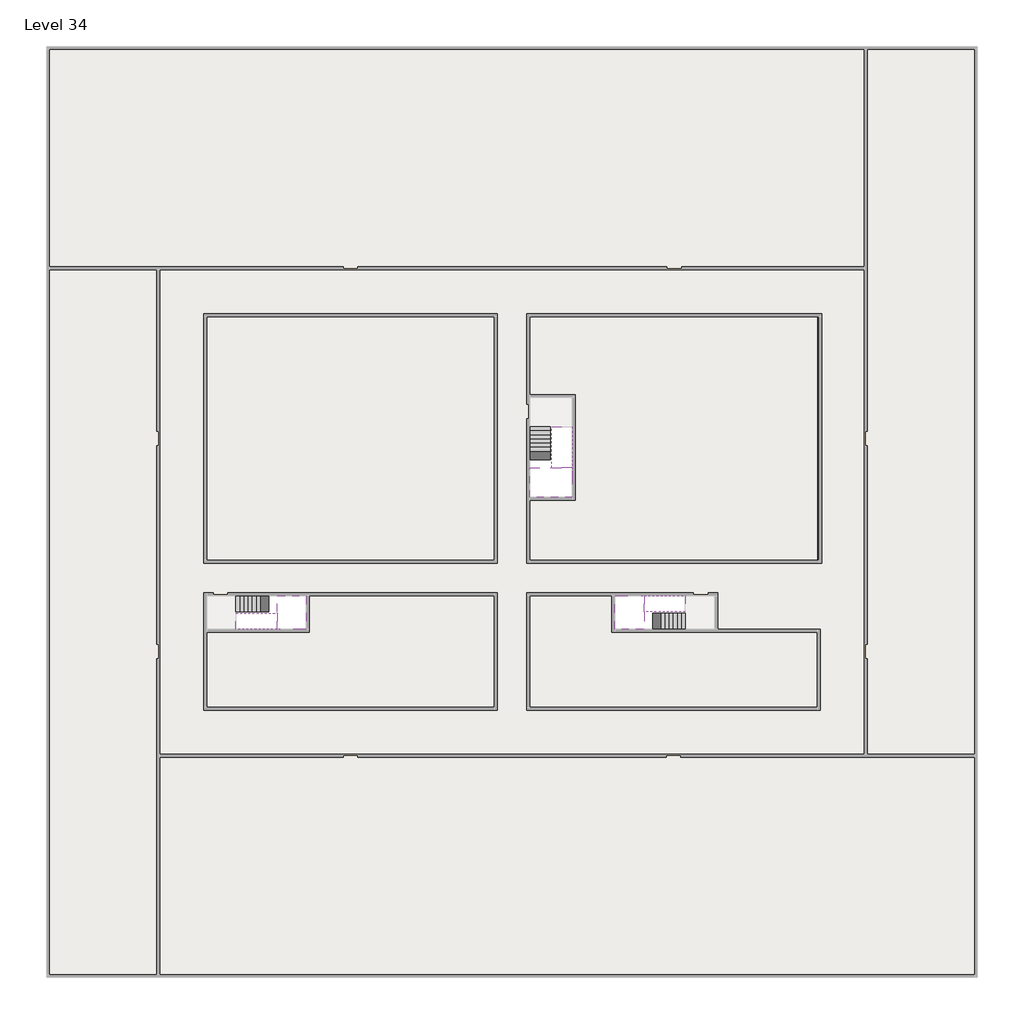
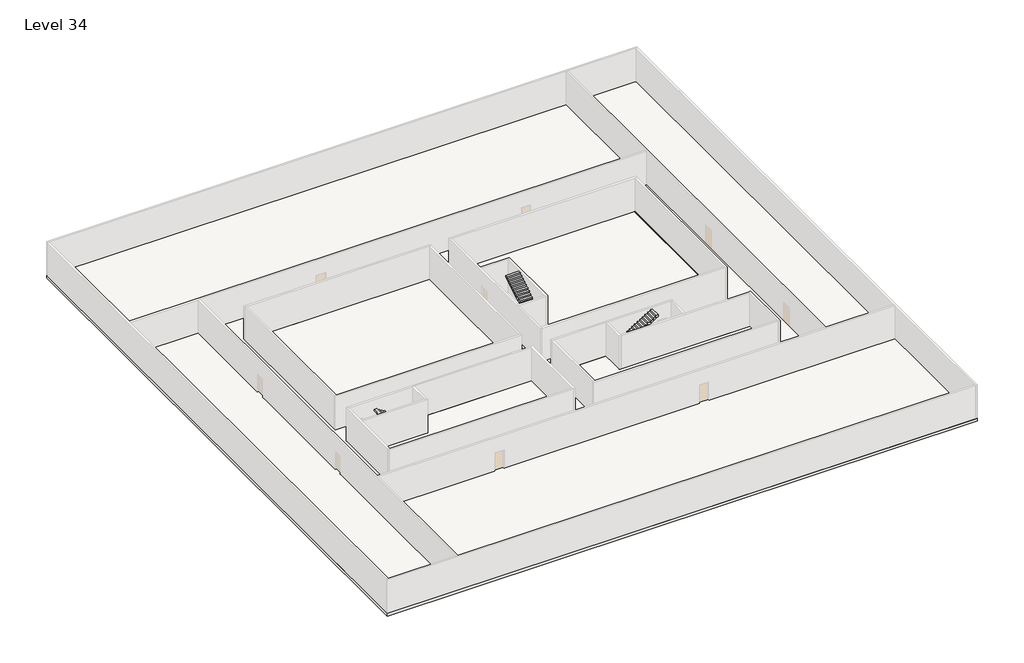
# One storey, part 2 of 2: 6 stair flights, 5 slabs.
"""IFC4 building model written with IfcOpenShell, lengths in millimetres."""

import ifcopenshell
import ifcopenshell.guid

model = None  # the IFC model being written
_history = None  # IfcOwnerHistory: only IFC2X3 demands one
_inside = {}  # id of a spatial element -> (the spatial element, [elements in it])
_under = {}  # id of a project, library or spatial element -> (it, [spatial elements below it])
_declared = {}  # id of a project -> (the project, [libraries it declares])
_typed = {}  # id of a type object -> (the type object, [elements of that type])
_made_of = {}  # id of a material, layer set ... -> (it, [elements and type objects made of it])


def new_model(schema):
    """Start an empty IFC model of exactly this schema.

    Asked for "IFC4X3", IfcOpenShell would pick the latest addendum, in which some entities
    have other attributes; the version numbers below select the first issue.
    IFC2X3 requires an IfcOwnerHistory on every rooted entity: one is made here for all.
    """
    global model, _history
    if schema == "IFC4X3":
        model = ifcopenshell.file(schema_version=(4, 3, 0, 0))
    else:
        model = ifcopenshell.file(schema=schema)
    _inside.clear()
    _under.clear()
    _declared.clear()
    _typed.clear()
    _made_of.clear()
    _history = None
    if model.schema == "IFC2X3":
        org = make("IfcOrganization", Name="unknown")
        user = make(
            "IfcPersonAndOrganization",
            ThePerson=make("IfcPerson", FamilyName="unknown"),
            TheOrganization=org,
        )
        app = make(
            "IfcApplication",
            ApplicationDeveloper=org,
            Version="unknown",
            ApplicationFullName="unknown",
            ApplicationIdentifier="unknown",
        )
        _history = make(
            "IfcOwnerHistory",
            OwningUser=user,
            OwningApplication=app,
            ChangeAction="ADDED",
            CreationDate=0,
        )
    return model


def make(cls, **values):
    """One entity of the class cls with the attributes given. An attribute that is None is left unset."""
    return model.create_entity(
        cls, **{name: value for name, value in values.items() if value is not None}
    )


def rooted(cls, **values):
    """An entity with a GlobalId (a new one), such as an element, a storey or a relation."""
    return make(cls, GlobalId=ifcopenshell.guid.new(), OwnerHistory=_history, **values)


def si_unit(unit_type, name, prefix=None):
    """IfcSIUnit, for example si_unit("LENGTHUNIT", "METRE", prefix="MILLI")."""
    return make("IfcSIUnit", UnitType=unit_type, Prefix=prefix, Name=name)


def assignment(units):
    """IfcUnitAssignment: the units of a project."""
    return None if units is None else make("IfcUnitAssignment", Units=units)


def point(xyz):
    """IfcCartesianPoint."""
    return None if xyz is None else make("IfcCartesianPoint", Coordinates=xyz)


def direction(xyz):
    """IfcDirection."""
    return None if xyz is None else make("IfcDirection", DirectionRatios=xyz)


def frame(location, z_axis=None, x_axis=None):
    """IfcAxis2Placement3D, a coordinate frame: its origin and axes. An axis left out is left unset."""
    return make(
        "IfcAxis2Placement3D",
        Location=point(location),
        Axis=direction(z_axis),
        RefDirection=direction(x_axis),
    )


def origin():
    """The frame at (0, 0, 0) with its axes left unset."""
    return frame((0.0, 0.0, 0.0))


def place(relative_to, where):
    """IfcLocalPlacement: puts the frame where relative to a parent placement (None: the world)."""
    return make(
        "IfcLocalPlacement", PlacementRelTo=relative_to, RelativePlacement=where
    )


def context(
    kind, dimensions, precision=None, world=None, true_north=None, identifier=None
):
    """IfcGeometricRepresentationContext, for example the 3D "Model" context."""
    return make(
        "IfcGeometricRepresentationContext",
        ContextIdentifier=identifier,
        ContextType=kind,
        CoordinateSpaceDimension=dimensions,
        Precision=precision,
        WorldCoordinateSystem=world,
        TrueNorth=true_north,
    )


def project(units=None, contexts=None):
    """IfcProject with its units and contexts."""
    return rooted(
        "IfcProject",
        Name="project",
        RepresentationContexts=contexts,
        UnitsInContext=assignment(units),
    )


def spatial(cls, under=None, at=None, **own):
    """A site, building, storey or space (cls), placed at a placement, below another one or the project."""
    s = rooted(cls, ObjectPlacement=at, **own)
    if under is not None:
        _under.setdefault(under.id(), (under, []))[1].append(s)
    return s


def polyline(points):
    """IfcPolyline through the points."""
    return make("IfcPolyline", Points=[point(p) for p in points])


def outline(outer, holes=None, kind="AREA"):
    """IfcArbitraryClosedProfileDef: a profile drawn as a closed curve; with holes, ...WithVoids."""
    if holes is None:
        return make("IfcArbitraryClosedProfileDef", ProfileType=kind, OuterCurve=outer)
    return make(
        "IfcArbitraryProfileDefWithVoids",
        ProfileType=kind,
        OuterCurve=outer,
        InnerCurves=holes,
    )


def extrude(swept, where, along, depth):
    """IfcExtrudedAreaSolid: the profile swept, set in the frame where, extruded along a direction by depth."""
    return make(
        "IfcExtrudedAreaSolid",
        SweptArea=swept,
        Position=where,
        ExtrudedDirection=direction(along),
        Depth=depth,
    )


def faces_of(points, faces, orient=None, outer=None):
    """IfcFace entities. A face is a list of loops; a loop is a list of indices into points, from 0.

    orient and outer hold one flag for each loop. By default every Orientation is true, the
    first loop of a face is its IfcFaceOuterBound and the others are IfcFaceBound.
    """
    made = []
    for i, loops in enumerate(faces):
        bounds = []
        for j, loop in enumerate(loops):
            is_outer = j == 0 if outer is None else outer[i][j]
            bounds.append(
                make(
                    "IfcFaceOuterBound" if is_outer else "IfcFaceBound",
                    Bound=make("IfcPolyLoop", Polygon=[points[k] for k in loop]),
                    Orientation=True if orient is None else orient[i][j],
                )
            )
        made.append(make("IfcFace", Bounds=bounds))
    return made


def faceted_brep(points, faces, orient=None, outer=None, voids=None):
    """IfcFacetedBrep: a solid bounded by flat faces; with voids (closed shells), ...WithVoids."""
    shared = [point(p) for p in points]
    hull = make("IfcClosedShell", CfsFaces=faces_of(shared, faces, orient, outer))
    if voids is None:
        return make("IfcFacetedBrep", Outer=hull)
    return make(
        "IfcFacetedBrepWithVoids",
        Outer=hull,
        Voids=[
            make(cls, CfsFaces=faces_of(shared, fs, o, b)) for cls, fs, o, b in voids
        ],
    )


def shape(context_of_items, identifier, shape_type, items):
    """IfcShapeRepresentation: the items that make up one representation, for example the "Body"."""
    return make(
        "IfcShapeRepresentation",
        ContextOfItems=context_of_items,
        RepresentationIdentifier=identifier,
        RepresentationType=shape_type,
        Items=items,
    )


def made_of(thing, what):
    """Note that an element or type object is made of a material, layer set ...; save() writes the relation."""
    if what is not None:
        _made_of.setdefault(what.id(), (what, []))[1].append(thing)
    return thing


def element(
    cls,
    number,
    at=None,
    inside=None,
    cuts=None,
    type_object=None,
    material=None,
    context=None,
    identifier="Body",
    shape_type=None,
    held_by="IfcProductDefinitionShape",
    body=None,
    shapes=None,
    **own,
):
    """One element of the class cls, such as IfcWall. Its Tag is "e" and its number.

    at: its placement. inside: the storey or other place that contains it. cuts: it is an
    opening in that element (IfcRelVoidsElement). A single representation is given by context,
    identifier, shape_type and body (its items); several are given by shapes. held_by: the class
    of the entity that holds the representations. save() writes the other relations.
    """
    e = rooted(cls, Tag="e%d" % number, ObjectPlacement=at, **own)
    if body is not None:
        shapes = [shape(context, identifier, shape_type, body)]
    if shapes is not None:
        e.Representation = make(held_by, Representations=shapes)
    if inside is not None:
        _inside.setdefault(inside.id(), (inside, []))[1].append(e)
    if cuts is not None:
        rooted(
            "IfcRelVoidsElement", RelatingBuildingElement=cuts, RelatedOpeningElement=e
        )
    if type_object is not None:
        _typed.setdefault(type_object.id(), (type_object, []))[1].append(e)
    return made_of(e, material)


def aggregate(whole, parts):
    """IfcRelAggregates: a whole, such as a stair, and the parts it consists of."""
    return rooted("IfcRelAggregates", RelatingObject=whole, RelatedObjects=parts)


def save(model, path):
    """Write the relations noted so far, then the file.

    IfcRelAggregates (storeys below a building ...), IfcRelContainedInSpatialStructure (elements
    in a storey), IfcRelDefinesByType, IfcRelAssociatesMaterial and IfcRelDeclares: one each for
    every whole, place, type object, material and project.
    """
    for whole, parts in _under.values():
        aggregate(whole, parts)
    for where, things in _inside.values():
        rooted(
            "IfcRelContainedInSpatialStructure",
            RelatedElements=things,
            RelatingStructure=where,
        )
    for kind, things in _typed.values():
        rooted("IfcRelDefinesByType", RelatedObjects=things, RelatingType=kind)
    for what, things in _made_of.values():
        rooted("IfcRelAssociatesMaterial", RelatedObjects=things, RelatingMaterial=what)
    for by, libraries in _declared.values():
        rooted("IfcRelDeclares", RelatingContext=by, RelatedDefinitions=libraries)
    model.write(path)


model = new_model("IFC4")

# Units and contexts
model_context = context("Model", 3, world=origin())
ifc_project = project(units=[si_unit("LENGTHUNIT", "METRE", prefix="MILLI")], contexts=[model_context])

# Site, building, storey
site = spatial("IfcSite", under=ifc_project)
building = spatial("IfcBuilding", under=site)
storey = spatial("IfcBuildingStorey", under=building, Name="Level 34", Elevation=125400.0)

# Slabs
placement = place(None, origin())
element("IfcSlab", 1, at=placement, inside=storey, context=model_context, shape_type="Brep", body=[
    faceted_brep([(8190.1058784, -42918.09644, 127300.0), (8190.1058784, -44018.09644, 127300.0), (8190.1058784, -44118.09644, 127300.0), (8190.1058784, -45218.09644, 127300.0), (8390.7194421, -45218.09644, 127300.0), (10190.1058784, -45218.09644, 127300.0), (10190.1058784, -42918.09644, 127300.0), (8269.4923146, -42918.09644, 127300.0), (8190.1058784, -42918.09644, 127127.2727273), (8190.1058784, -42918.09644, 126951.0278478), (8190.1058784, -44018.09644, 126951.0278478), (8190.1058784, -44018.09644, 127000.0), (8190.1058784, -44118.09644, 127000.0), (8190.1058784, -44118.09644, 127123.7551205), (8190.1058784, -45218.09644, 127123.7551205), (8390.7194421, -45218.09644, 127000.0), (10190.1058784, -45218.09644, 127000.0), (10190.1058784, -42918.09644, 127000.0), (8269.4923146, -42918.09644, 127000.0), (8390.7194421, -44118.09644, 127000.0), (8269.4923146, -44018.09644, 127000.0)], [[[0, 1, 2, 3, 4, 5, 6, 7]], [[1, 0, 8, 9, 10, 11]], [[2, 1, 11, 12, 13]], [[3, 2, 13, 14]], [[3, 14, 15, 16, 5, 4]], [[6, 5, 16, 17]], [[9, 8, 0, 7, 6, 17, 18]], [[19, 12, 11, 20, 18, 17, 16, 15]], [[12, 19, 13]], [[18, 20, 10, 9]], [[20, 11, 10]], [[19, 15, 14, 13]]]),
])
element("IfcSlab", 2, at=placement, inside=storey, context=model_context, shape_type="Brep", body=[
    faceted_brep([(33190.1058784, -45218.09644, 127300.0), (33190.1058784, -44118.09644, 127300.0), (33190.1058784, -44018.09644, 127300.0), (33190.1058784, -42918.09644, 127300.0), (32989.4923146, -42918.09644, 127300.0), (31190.1058784, -42918.09644, 127300.0), (31190.1058784, -45218.09644, 127300.0), (33110.7194421, -45218.09644, 127300.0), (33190.1058784, -45218.09644, 127127.2727273), (33190.1058784, -45218.09644, 126951.0278478), (33190.1058784, -44118.09644, 126951.0278478), (33190.1058784, -44118.09644, 127000.0), (33190.1058784, -44018.09644, 127000.0), (33190.1058784, -44018.09644, 127123.7551205), (33190.1058784, -42918.09644, 127123.7551205), (32989.4923146, -42918.09644, 127000.0), (31190.1058784, -42918.09644, 127000.0), (31190.1058784, -45218.09644, 127000.0), (33110.7194421, -45218.09644, 127000.0), (32989.4923146, -44018.09644, 127000.0), (33110.7194421, -44118.09644, 127000.0)], [[[0, 1, 2, 3, 4, 5, 6, 7]], [[1, 0, 8, 9, 10, 11]], [[2, 1, 11, 12, 13]], [[3, 2, 13, 14]], [[3, 14, 15, 16, 5, 4]], [[6, 5, 16, 17]], [[9, 8, 0, 7, 6, 17, 18]], [[19, 12, 11, 20, 18, 17, 16, 15]], [[12, 19, 13]], [[18, 20, 10, 9]], [[20, 11, 10]], [[19, 15, 14, 13]]]),
])
element("IfcSlab", 3, at=placement, inside=storey, context=model_context, shape_type="Brep", body=[
    faceted_brep([(26790.1058784, -34218.09644, 127300.0), (25390.1058784, -34218.09644, 127300.0), (25390.1058784, -34297.4828763, 127300.0), (25390.1058784, -36218.09644, 127300.0), (28290.1058784, -36218.09644, 127300.0), (28290.1058784, -34418.7100038, 127300.0), (28290.1058784, -34218.09644, 127300.0), (26890.1058784, -34218.09644, 127300.0), (26790.1058784, -34218.09644, 127000.0), (26790.1058784, -34218.09644, 126951.0278478), (25390.1058784, -34218.09644, 126951.0278478), (25390.1058784, -34218.09644, 127127.2727273), (25390.1058784, -34297.4828763, 127000.0), (25390.1058784, -36218.09644, 127000.0), (28290.1058784, -36218.09644, 127000.0), (28290.1058784, -34418.7100038, 127000.0), (28290.1058784, -34218.09644, 127123.7551205), (26890.1058784, -34218.09644, 127123.7551205), (26890.1058784, -34218.09644, 127000.0), (26890.1058784, -34418.7100038, 127000.0), (26790.1058784, -34297.4828763, 127000.0)], [[[0, 1, 2, 3, 4, 5, 6, 7]], [[1, 0, 8, 9, 10, 11]], [[1, 11, 10, 12, 13, 3, 2]], [[4, 3, 13, 14]], [[4, 14, 15, 16, 6, 5]], [[7, 6, 16, 17]], [[0, 7, 17, 18, 8]], [[18, 19, 15, 14, 13, 12, 20, 8]], [[19, 18, 17]], [[20, 12, 10, 9]], [[8, 20, 9]], [[15, 19, 17, 16]]]),
])
element("IfcSlab", 4, at=placement, inside=storey, context=model_context, shape_type="SweptSolid", body=[
    extrude(outline(polyline([(55890.1058784, -5518.09644), (55890.1058784, -68918.09644), (-7509.8941216, -68918.09644), (-7509.8941216, -5518.09644), (55890.1058784, -5518.09644)]), holes=[polyline([(22990.1058784, -23918.09644), (3390.1058784, -23918.09644), (3390.1058784, -40518.09644), (22990.1058784, -40518.09644), (22990.1058784, -23918.09644)]), polyline([(44990.1058784, -23918.09644), (25390.1058784, -23918.09644), (25390.1058784, -40518.09644), (44990.1058784, -40518.09644), (44990.1058784, -23918.09644)]), polyline([(37990.1058784, -42918.09644), (25390.1058784, -42918.09644), (25390.1058784, -50518.09644), (44990.1058784, -50518.09644), (44990.1058784, -45418.09644), (37990.1058784, -45418.09644), (37990.1058784, -42918.09644)]), polyline([(22990.1058784, -42918.09644), (3390.1058784, -42918.09644), (3390.1058784, -50518.09644), (22990.1058784, -50518.09644), (22990.1058784, -42918.09644)])]), frame((0.0, 0.0, 125100.0), z_axis=(0.0, 0.0, 1.0), x_axis=(1.0, 0.0, 0.0)), (0.0, 0.0, 1.0), 300.0),
])
element("IfcSlab", 5, at=placement, inside=storey, context=model_context, shape_type="SweptSolid", body=[
    extrude(outline(polyline([(22990.1058784, -23918.09644), (22990.1058784, -40518.09644), (3390.1058784, -40518.09644), (3390.1058784, -23918.09644), (22990.1058784, -23918.09644)])), frame((0.0, 0.0, 125100.0), z_axis=(0.0, 0.0, 1.0), x_axis=(1.0, 0.0, 0.0)), (0.0, 0.0, 1.0), 300.0),
    extrude(outline(polyline([(44990.1058784, -23918.09644), (44990.1058784, -40518.09644), (25390.1058784, -40518.09644), (25390.1058784, -36418.09644), (28490.1058784, -36418.09644), (28490.1058784, -29218.09644), (25390.1058784, -29218.09644), (25390.1058784, -23918.09644), (44990.1058784, -23918.09644)])), frame((0.0, 0.0, 125100.0), z_axis=(0.0, 0.0, 1.0), x_axis=(1.0, 0.0, 0.0)), (0.0, 0.0, 1.0), 300.0),
    extrude(outline(polyline([(22990.1058784, -42918.09644), (22990.1058784, -50518.09644), (3390.1058784, -50518.09644), (3390.1058784, -45418.09644), (10390.1058784, -45418.09644), (10390.1058784, -42918.09644), (22990.1058784, -42918.09644)])), frame((0.0, 0.0, 125100.0), z_axis=(0.0, 0.0, 1.0), x_axis=(1.0, 0.0, 0.0)), (0.0, 0.0, 1.0), 300.0),
    extrude(outline(polyline([(30990.1058784, -42918.09644), (30990.1058784, -45418.09644), (44990.1058784, -45418.09644), (44990.1058784, -50518.09644), (25390.1058784, -50518.09644), (25390.1058784, -42918.09644), (30990.1058784, -42918.09644)])), frame((0.0, 0.0, 125100.0), z_axis=(0.0, 0.0, 1.0), x_axis=(1.0, 0.0, 0.0)), (0.0, 0.0, 1.0), 300.0),
])

# Stair flights
element("IfcStairFlight", 6, at=placement, inside=storey, context=model_context, shape_type="Brep", body=[
    faceted_brep([(5670.1058784, -42918.09644, 125572.7272727), (5390.1058784, -42918.09644, 125572.7272727), (5390.1058784, -44018.09644, 125572.7272727), (5670.1058784, -44018.09644, 125572.7272727), (5670.1058784, -42918.09644, 125400.0), (5390.1058784, -42918.09644, 125400.0), (5390.1058784, -44018.09644, 125400.0), (5670.1058784, -44018.09644, 125400.0), (5950.1058784, -42918.09644, 125745.4545455), (5670.1058784, -42918.09644, 125745.4545455), (5670.1058784, -44018.09644, 125745.4545455), (5950.1058784, -44018.09644, 125745.4545455), (5950.1058784, -42918.09644, 125569.209666), (5675.8081041, -42918.09644, 125400.0), (5675.8081041, -44018.09644, 125400.0), (5950.1058784, -44018.09644, 125569.209666), (6230.1058784, -42918.09644, 125918.1818182), (5950.1058784, -42918.09644, 125918.1818182), (5950.1058784, -44018.09644, 125918.1818182), (6230.1058784, -44018.09644, 125918.1818182), (6230.1058784, -42918.09644, 125741.9369387), (6230.1058784, -44018.09644, 125741.9369387), (6510.1058784, -42918.09644, 126090.9090909), (6230.1058784, -42918.09644, 126090.9090909), (6230.1058784, -44018.09644, 126090.9090909), (6510.1058784, -44018.09644, 126090.9090909), (6510.1058784, -42918.09644, 125914.6642114), (6510.1058784, -44018.09644, 125914.6642114), (6790.1058784, -42918.09644, 126263.6363636), (6510.1058784, -42918.09644, 126263.6363636), (6510.1058784, -44018.09644, 126263.6363636), (6790.1058784, -44018.09644, 126263.6363636), (6790.1058784, -42918.09644, 126087.3914841), (6790.1058784, -44018.09644, 126087.3914841), (7070.1058784, -42918.09644, 126436.3636364), (6790.1058784, -42918.09644, 126436.3636364), (6790.1058784, -44018.09644, 126436.3636364), (7070.1058784, -44018.09644, 126436.3636364), (7070.1058784, -42918.09644, 126260.1187569), (7070.1058784, -44018.09644, 126260.1187569), (7350.1058784, -42918.09644, 126609.0909091), (7070.1058784, -42918.09644, 126609.0909091), (7070.1058784, -44018.09644, 126609.0909091), (7350.1058784, -44018.09644, 126609.0909091), (7350.1058784, -42918.09644, 126432.8460296), (7350.1058784, -44018.09644, 126432.8460296), (7630.1058784, -42918.09644, 126781.8181818), (7350.1058784, -42918.09644, 126781.8181818), (7350.1058784, -44018.09644, 126781.8181818), (7630.1058784, -44018.09644, 126781.8181818), (7630.1058784, -42918.09644, 126605.5733023), (7630.1058784, -44018.09644, 126605.5733023), (7910.1058784, -42918.09644, 126954.5454545), (7630.1058784, -42918.09644, 126954.5454545), (7630.1058784, -44018.09644, 126954.5454545), (7910.1058784, -44018.09644, 126954.5454545), (7910.1058784, -42918.09644, 126778.3005751), (7910.1058784, -44018.09644, 126778.3005751), (8190.1058784, -42918.09644, 127127.2727273), (7910.1058784, -42918.09644, 127127.2727273), (7910.1058784, -44018.09644, 127127.2727273), (8190.1058784, -44018.09644, 127127.2727273), (8190.1058784, -42918.09644, 126951.0278478), (8190.1058784, -44018.09644, 126951.0278478), (8190.1058784, -44018.09644, 127000.0)], [[[0, 1, 2, 3]], [[1, 0, 4, 5]], [[2, 1, 5, 6]], [[3, 2, 6, 7]], [[8, 9, 10, 11]], [[4, 0, 9, 8, 12, 13]], [[0, 3, 10, 9]], [[3, 7, 14, 15, 11, 10]], [[16, 17, 18, 19]], [[17, 16, 20, 12, 8]], [[8, 11, 18, 17]], [[19, 18, 11, 15, 21]], [[22, 23, 24, 25]], [[23, 22, 26, 20, 16]], [[16, 19, 24, 23]], [[25, 24, 19, 21, 27]], [[28, 29, 30, 31]], [[29, 28, 32, 26, 22]], [[22, 25, 30, 29]], [[31, 30, 25, 27, 33]], [[34, 35, 36, 37]], [[35, 34, 38, 32, 28]], [[28, 31, 36, 35]], [[37, 36, 31, 33, 39]], [[40, 41, 42, 43]], [[41, 40, 44, 38, 34]], [[34, 37, 42, 41]], [[43, 42, 37, 39, 45]], [[46, 47, 48, 49]], [[47, 46, 50, 44, 40]], [[40, 43, 48, 47]], [[49, 48, 43, 45, 51]], [[52, 53, 54, 55]], [[53, 52, 56, 50, 46]], [[46, 49, 54, 53]], [[55, 54, 49, 51, 57]], [[58, 59, 60, 61]], [[59, 58, 62, 56, 52]], [[52, 55, 60, 59]], [[61, 60, 55, 57, 63, 64]], [[58, 61, 64, 63, 62]], [[5, 4, 13, 14, 7, 6]], [[14, 13, 12, 20, 26, 32, 38, 44, 50, 56, 62, 63, 57, 51, 45, 39, 33, 27, 21, 15]]]),
])
element("IfcStairFlight", 7, at=placement, inside=storey, context=model_context, shape_type="Brep", body=[
    faceted_brep([(7910.1058784, -45218.09644, 127472.7272727), (8190.1058784, -45218.09644, 127472.7272727), (8190.1058784, -44118.09644, 127472.7272727), (7910.1058784, -44118.09644, 127472.7272727), (7910.1058784, -45218.09644, 127296.4823932), (8190.1058784, -45218.09644, 127123.7551205), (8190.1058784, -45218.09644, 127300.0), (8190.1058784, -44118.09644, 127123.7551205), (7910.1058784, -44118.09644, 127296.4823932), (7630.1058784, -45218.09644, 127645.4545455), (7910.1058784, -45218.09644, 127645.4545455), (7910.1058784, -44118.09644, 127645.4545455), (7630.1058784, -44118.09644, 127645.4545455), (7630.1058784, -45218.09644, 127469.209666), (7630.1058784, -44118.09644, 127469.209666), (7350.1058784, -45218.09644, 127818.1818182), (7630.1058784, -45218.09644, 127818.1818182), (7630.1058784, -44118.09644, 127818.1818182), (7350.1058784, -44118.09644, 127818.1818182), (7350.1058784, -45218.09644, 127641.9369387), (7350.1058784, -44118.09644, 127641.9369387), (7070.1058784, -45218.09644, 127990.9090909), (7350.1058784, -45218.09644, 127990.9090909), (7350.1058784, -44118.09644, 127990.9090909), (7070.1058784, -44118.09644, 127990.9090909), (7070.1058784, -45218.09644, 127814.6642114), (7070.1058784, -44118.09644, 127814.6642114), (6790.1058784, -45218.09644, 128163.6363636), (7070.1058784, -45218.09644, 128163.6363636), (7070.1058784, -44118.09644, 128163.6363636), (6790.1058784, -44118.09644, 128163.6363636), (6790.1058784, -45218.09644, 127987.3914841), (6790.1058784, -44118.09644, 127987.3914841), (6510.1058784, -45218.09644, 128336.3636364), (6790.1058784, -45218.09644, 128336.3636364), (6790.1058784, -44118.09644, 128336.3636364), (6510.1058784, -44118.09644, 128336.3636364), (6510.1058784, -45218.09644, 128160.1187569), (6510.1058784, -44118.09644, 128160.1187569), (6230.1058784, -45218.09644, 128509.0909091), (6510.1058784, -45218.09644, 128509.0909091), (6510.1058784, -44118.09644, 128509.0909091), (6230.1058784, -44118.09644, 128509.0909091), (6230.1058784, -45218.09644, 128332.8460296), (6230.1058784, -44118.09644, 128332.8460296), (5950.1058784, -45218.09644, 128681.8181818), (6230.1058784, -45218.09644, 128681.8181818), (6230.1058784, -44118.09644, 128681.8181818), (5950.1058784, -44118.09644, 128681.8181818), (5950.1058784, -45218.09644, 128505.5733023), (5950.1058784, -44118.09644, 128505.5733023), (5670.1058784, -45218.09644, 128854.5454545), (5950.1058784, -45218.09644, 128854.5454545), (5950.1058784, -44118.09644, 128854.5454545), (5670.1058784, -44118.09644, 128854.5454545), (5670.1058784, -45218.09644, 128678.3005751), (5670.1058784, -44118.09644, 128678.3005751), (5390.1058784, -45218.09644, 129027.2727273), (5670.1058784, -45218.09644, 129027.2727273), (5670.1058784, -44118.09644, 129027.2727273), (5390.1058784, -44118.09644, 129027.2727273), (5390.1058784, -45218.09644, 128851.0278478), (5390.1058784, -44118.09644, 128851.0278478)], [[[0, 1, 2, 3]], [[1, 0, 4, 5, 6]], [[2, 1, 6, 5, 7]], [[3, 2, 7, 8]], [[9, 10, 11, 12]], [[10, 9, 13, 4, 0]], [[11, 10, 0, 3]], [[12, 11, 3, 8, 14]], [[15, 16, 17, 18]], [[16, 15, 19, 13, 9]], [[17, 16, 9, 12]], [[18, 17, 12, 14, 20]], [[21, 22, 23, 24]], [[22, 21, 25, 19, 15]], [[23, 22, 15, 18]], [[24, 23, 18, 20, 26]], [[27, 28, 29, 30]], [[28, 27, 31, 25, 21]], [[29, 28, 21, 24]], [[30, 29, 24, 26, 32]], [[33, 34, 35, 36]], [[34, 33, 37, 31, 27]], [[35, 34, 27, 30]], [[36, 35, 30, 32, 38]], [[39, 40, 41, 42]], [[40, 39, 43, 37, 33]], [[41, 40, 33, 36]], [[42, 41, 36, 38, 44]], [[45, 46, 47, 48]], [[46, 45, 49, 43, 39]], [[47, 46, 39, 42]], [[48, 47, 42, 44, 50]], [[51, 52, 53, 54]], [[52, 51, 55, 49, 45]], [[53, 52, 45, 48]], [[54, 53, 48, 50, 56]], [[57, 58, 59, 60]], [[58, 57, 61, 55, 51]], [[59, 58, 51, 54]], [[60, 59, 54, 56, 62]], [[57, 60, 62, 61]], [[5, 4, 13, 19, 25, 31, 37, 43, 49, 55, 61, 62, 56, 50, 44, 38, 32, 26, 20, 14, 8, 7]]]),
])
element("IfcStairFlight", 8, at=placement, inside=storey, context=model_context, shape_type="Brep", body=[
    faceted_brep([(35710.1058784, -45218.09644, 125572.7272727), (35990.1058784, -45218.09644, 125572.7272727), (35990.1058784, -44118.09644, 125572.7272727), (35710.1058784, -44118.09644, 125572.7272727), (35710.1058784, -45218.09644, 125400.0), (35990.1058784, -45218.09644, 125400.0), (35990.1058784, -44118.09644, 125400.0), (35710.1058784, -44118.09644, 125400.0), (35430.1058784, -45218.09644, 125745.4545455), (35710.1058784, -45218.09644, 125745.4545455), (35710.1058784, -44118.09644, 125745.4545455), (35430.1058784, -44118.09644, 125745.4545455), (35430.1058784, -45218.09644, 125569.209666), (35704.4036527, -45218.09644, 125400.0), (35704.4036527, -44118.09644, 125400.0), (35430.1058784, -44118.09644, 125569.209666), (35150.1058784, -45218.09644, 125918.1818182), (35430.1058784, -45218.09644, 125918.1818182), (35430.1058784, -44118.09644, 125918.1818182), (35150.1058784, -44118.09644, 125918.1818182), (35150.1058784, -45218.09644, 125741.9369387), (35150.1058784, -44118.09644, 125741.9369387), (34870.1058784, -45218.09644, 126090.9090909), (35150.1058784, -45218.09644, 126090.9090909), (35150.1058784, -44118.09644, 126090.9090909), (34870.1058784, -44118.09644, 126090.9090909), (34870.1058784, -45218.09644, 125914.6642114), (34870.1058784, -44118.09644, 125914.6642114), (34590.1058784, -45218.09644, 126263.6363636), (34870.1058784, -45218.09644, 126263.6363636), (34870.1058784, -44118.09644, 126263.6363636), (34590.1058784, -44118.09644, 126263.6363636), (34590.1058784, -45218.09644, 126087.3914841), (34590.1058784, -44118.09644, 126087.3914841), (34310.1058784, -45218.09644, 126436.3636364), (34590.1058784, -45218.09644, 126436.3636364), (34590.1058784, -44118.09644, 126436.3636364), (34310.1058784, -44118.09644, 126436.3636364), (34310.1058784, -45218.09644, 126260.1187569), (34310.1058784, -44118.09644, 126260.1187569), (34030.1058784, -45218.09644, 126609.0909091), (34310.1058784, -45218.09644, 126609.0909091), (34310.1058784, -44118.09644, 126609.0909091), (34030.1058784, -44118.09644, 126609.0909091), (34030.1058784, -45218.09644, 126432.8460296), (34030.1058784, -44118.09644, 126432.8460296), (33750.1058784, -45218.09644, 126781.8181818), (34030.1058784, -45218.09644, 126781.8181818), (34030.1058784, -44118.09644, 126781.8181818), (33750.1058784, -44118.09644, 126781.8181818), (33750.1058784, -45218.09644, 126605.5733023), (33750.1058784, -44118.09644, 126605.5733023), (33470.1058784, -45218.09644, 126954.5454545), (33750.1058784, -45218.09644, 126954.5454545), (33750.1058784, -44118.09644, 126954.5454545), (33470.1058784, -44118.09644, 126954.5454545), (33470.1058784, -45218.09644, 126778.3005751), (33470.1058784, -44118.09644, 126778.3005751), (33190.1058784, -45218.09644, 127127.2727273), (33470.1058784, -45218.09644, 127127.2727273), (33470.1058784, -44118.09644, 127127.2727273), (33190.1058784, -44118.09644, 127127.2727273), (33190.1058784, -45218.09644, 126951.0278478), (33190.1058784, -44118.09644, 126951.0278478), (33190.1058784, -44118.09644, 127000.0)], [[[0, 1, 2, 3]], [[1, 0, 4, 5]], [[2, 1, 5, 6]], [[3, 2, 6, 7]], [[8, 9, 10, 11]], [[4, 0, 9, 8, 12, 13]], [[0, 3, 10, 9]], [[3, 7, 14, 15, 11, 10]], [[16, 17, 18, 19]], [[17, 16, 20, 12, 8]], [[8, 11, 18, 17]], [[19, 18, 11, 15, 21]], [[22, 23, 24, 25]], [[23, 22, 26, 20, 16]], [[16, 19, 24, 23]], [[25, 24, 19, 21, 27]], [[28, 29, 30, 31]], [[29, 28, 32, 26, 22]], [[22, 25, 30, 29]], [[31, 30, 25, 27, 33]], [[34, 35, 36, 37]], [[35, 34, 38, 32, 28]], [[28, 31, 36, 35]], [[37, 36, 31, 33, 39]], [[40, 41, 42, 43]], [[41, 40, 44, 38, 34]], [[34, 37, 42, 41]], [[43, 42, 37, 39, 45]], [[46, 47, 48, 49]], [[47, 46, 50, 44, 40]], [[40, 43, 48, 47]], [[49, 48, 43, 45, 51]], [[52, 53, 54, 55]], [[53, 52, 56, 50, 46]], [[46, 49, 54, 53]], [[55, 54, 49, 51, 57]], [[58, 59, 60, 61]], [[59, 58, 62, 56, 52]], [[52, 55, 60, 59]], [[61, 60, 55, 57, 63, 64]], [[58, 61, 64, 63, 62]], [[5, 4, 13, 14, 7, 6]], [[14, 13, 12, 20, 26, 32, 38, 44, 50, 56, 62, 63, 57, 51, 45, 39, 33, 27, 21, 15]]]),
])
element("IfcStairFlight", 9, at=placement, inside=storey, context=model_context, shape_type="Brep", body=[
    faceted_brep([(33470.1058784, -42918.09644, 127472.7272727), (33190.1058784, -42918.09644, 127472.7272727), (33190.1058784, -44018.09644, 127472.7272727), (33470.1058784, -44018.09644, 127472.7272727), (33470.1058784, -42918.09644, 127296.4823932), (33190.1058784, -42918.09644, 127123.7551205), (33190.1058784, -42918.09644, 127300.0), (33190.1058784, -44018.09644, 127123.7551205), (33470.1058784, -44018.09644, 127296.4823932), (33750.1058784, -42918.09644, 127645.4545455), (33470.1058784, -42918.09644, 127645.4545455), (33470.1058784, -44018.09644, 127645.4545455), (33750.1058784, -44018.09644, 127645.4545455), (33750.1058784, -42918.09644, 127469.209666), (33750.1058784, -44018.09644, 127469.209666), (34030.1058784, -42918.09644, 127818.1818182), (33750.1058784, -42918.09644, 127818.1818182), (33750.1058784, -44018.09644, 127818.1818182), (34030.1058784, -44018.09644, 127818.1818182), (34030.1058784, -42918.09644, 127641.9369387), (34030.1058784, -44018.09644, 127641.9369387), (34310.1058784, -42918.09644, 127990.9090909), (34030.1058784, -42918.09644, 127990.9090909), (34030.1058784, -44018.09644, 127990.9090909), (34310.1058784, -44018.09644, 127990.9090909), (34310.1058784, -42918.09644, 127814.6642114), (34310.1058784, -44018.09644, 127814.6642114), (34590.1058784, -42918.09644, 128163.6363636), (34310.1058784, -42918.09644, 128163.6363636), (34310.1058784, -44018.09644, 128163.6363636), (34590.1058784, -44018.09644, 128163.6363636), (34590.1058784, -42918.09644, 127987.3914841), (34590.1058784, -44018.09644, 127987.3914841), (34870.1058784, -42918.09644, 128336.3636364), (34590.1058784, -42918.09644, 128336.3636364), (34590.1058784, -44018.09644, 128336.3636364), (34870.1058784, -44018.09644, 128336.3636364), (34870.1058784, -42918.09644, 128160.1187569), (34870.1058784, -44018.09644, 128160.1187569), (35150.1058784, -42918.09644, 128509.0909091), (34870.1058784, -42918.09644, 128509.0909091), (34870.1058784, -44018.09644, 128509.0909091), (35150.1058784, -44018.09644, 128509.0909091), (35150.1058784, -42918.09644, 128332.8460296), (35150.1058784, -44018.09644, 128332.8460296), (35430.1058784, -42918.09644, 128681.8181818), (35150.1058784, -42918.09644, 128681.8181818), (35150.1058784, -44018.09644, 128681.8181818), (35430.1058784, -44018.09644, 128681.8181818), (35430.1058784, -42918.09644, 128505.5733023), (35430.1058784, -44018.09644, 128505.5733023), (35710.1058784, -42918.09644, 128854.5454545), (35430.1058784, -42918.09644, 128854.5454545), (35430.1058784, -44018.09644, 128854.5454545), (35710.1058784, -44018.09644, 128854.5454545), (35710.1058784, -42918.09644, 128678.3005751), (35710.1058784, -44018.09644, 128678.3005751), (35990.1058784, -42918.09644, 129027.2727273), (35710.1058784, -42918.09644, 129027.2727273), (35710.1058784, -44018.09644, 129027.2727273), (35990.1058784, -44018.09644, 129027.2727273), (35990.1058784, -42918.09644, 128851.0278478), (35990.1058784, -44018.09644, 128851.0278478)], [[[0, 1, 2, 3]], [[1, 0, 4, 5, 6]], [[2, 1, 6, 5, 7]], [[3, 2, 7, 8]], [[9, 10, 11, 12]], [[10, 9, 13, 4, 0]], [[11, 10, 0, 3]], [[12, 11, 3, 8, 14]], [[15, 16, 17, 18]], [[16, 15, 19, 13, 9]], [[17, 16, 9, 12]], [[18, 17, 12, 14, 20]], [[21, 22, 23, 24]], [[22, 21, 25, 19, 15]], [[23, 22, 15, 18]], [[24, 23, 18, 20, 26]], [[27, 28, 29, 30]], [[28, 27, 31, 25, 21]], [[29, 28, 21, 24]], [[30, 29, 24, 26, 32]], [[33, 34, 35, 36]], [[34, 33, 37, 31, 27]], [[35, 34, 27, 30]], [[36, 35, 30, 32, 38]], [[39, 40, 41, 42]], [[40, 39, 43, 37, 33]], [[41, 40, 33, 36]], [[42, 41, 36, 38, 44]], [[45, 46, 47, 48]], [[46, 45, 49, 43, 39]], [[47, 46, 39, 42]], [[48, 47, 42, 44, 50]], [[51, 52, 53, 54]], [[52, 51, 55, 49, 45]], [[53, 52, 45, 48]], [[54, 53, 48, 50, 56]], [[57, 58, 59, 60]], [[58, 57, 61, 55, 51]], [[59, 58, 51, 54]], [[60, 59, 54, 56, 62]], [[57, 60, 62, 61]], [[5, 4, 13, 19, 25, 31, 37, 43, 49, 55, 61, 62, 56, 50, 44, 38, 32, 26, 20, 14, 8, 7]]]),
])
element("IfcStairFlight", 10, at=placement, inside=storey, context=model_context, shape_type="Brep", body=[
    faceted_brep([(26790.1058784, -31698.09644, 125572.7272727), (26790.1058784, -31418.09644, 125572.7272727), (25390.1058784, -31418.09644, 125572.7272727), (25390.1058784, -31698.09644, 125572.7272727), (26790.1058784, -31698.09644, 125400.0), (26790.1058784, -31418.09644, 125400.0), (25390.1058784, -31418.09644, 125400.0), (25390.1058784, -31698.09644, 125400.0), (26790.1058784, -31978.09644, 125745.4545455), (26790.1058784, -31698.09644, 125745.4545455), (25390.1058784, -31698.09644, 125745.4545455), (25390.1058784, -31978.09644, 125745.4545455), (26790.1058784, -31978.09644, 125569.209666), (26790.1058784, -31703.7986657, 125400.0), (25390.1058784, -31703.7986657, 125400.0), (25390.1058784, -31978.09644, 125569.209666), (26790.1058784, -32258.09644, 125918.1818182), (26790.1058784, -31978.09644, 125918.1818182), (25390.1058784, -31978.09644, 125918.1818182), (25390.1058784, -32258.09644, 125918.1818182), (26790.1058784, -32258.09644, 125741.9369387), (25390.1058784, -32258.09644, 125741.9369387), (26790.1058784, -32538.09644, 126090.9090909), (26790.1058784, -32258.09644, 126090.9090909), (25390.1058784, -32258.09644, 126090.9090909), (25390.1058784, -32538.09644, 126090.9090909), (26790.1058784, -32538.09644, 125914.6642114), (25390.1058784, -32538.09644, 125914.6642114), (26790.1058784, -32818.09644, 126263.6363636), (26790.1058784, -32538.09644, 126263.6363636), (25390.1058784, -32538.09644, 126263.6363636), (25390.1058784, -32818.09644, 126263.6363636), (26790.1058784, -32818.09644, 126087.3914841), (25390.1058784, -32818.09644, 126087.3914841), (26790.1058784, -33098.09644, 126436.3636364), (26790.1058784, -32818.09644, 126436.3636364), (25390.1058784, -32818.09644, 126436.3636364), (25390.1058784, -33098.09644, 126436.3636364), (26790.1058784, -33098.09644, 126260.1187569), (25390.1058784, -33098.09644, 126260.1187569), (26790.1058784, -33378.09644, 126609.0909091), (26790.1058784, -33098.09644, 126609.0909091), (25390.1058784, -33098.09644, 126609.0909091), (25390.1058784, -33378.09644, 126609.0909091), (26790.1058784, -33378.09644, 126432.8460296), (25390.1058784, -33378.09644, 126432.8460296), (26790.1058784, -33658.09644, 126781.8181818), (26790.1058784, -33378.09644, 126781.8181818), (25390.1058784, -33378.09644, 126781.8181818), (25390.1058784, -33658.09644, 126781.8181818), (26790.1058784, -33658.09644, 126605.5733023), (25390.1058784, -33658.09644, 126605.5733023), (26790.1058784, -33938.09644, 126954.5454545), (26790.1058784, -33658.09644, 126954.5454545), (25390.1058784, -33658.09644, 126954.5454545), (25390.1058784, -33938.09644, 126954.5454545), (26790.1058784, -33938.09644, 126778.3005751), (25390.1058784, -33938.09644, 126778.3005751), (26790.1058784, -34218.09644, 127127.2727273), (26790.1058784, -33938.09644, 127127.2727273), (25390.1058784, -33938.09644, 127127.2727273), (25390.1058784, -34218.09644, 127127.2727273), (26790.1058784, -34218.09644, 127000.0), (26790.1058784, -34218.09644, 126951.0278478), (25390.1058784, -34218.09644, 126951.0278478)], [[[0, 1, 2, 3]], [[1, 0, 4, 5]], [[2, 1, 5, 6]], [[3, 2, 6, 7]], [[8, 9, 10, 11]], [[4, 0, 9, 8, 12, 13]], [[0, 3, 10, 9]], [[3, 7, 14, 15, 11, 10]], [[16, 17, 18, 19]], [[17, 16, 20, 12, 8]], [[8, 11, 18, 17]], [[19, 18, 11, 15, 21]], [[22, 23, 24, 25]], [[23, 22, 26, 20, 16]], [[16, 19, 24, 23]], [[25, 24, 19, 21, 27]], [[28, 29, 30, 31]], [[29, 28, 32, 26, 22]], [[22, 25, 30, 29]], [[31, 30, 25, 27, 33]], [[34, 35, 36, 37]], [[35, 34, 38, 32, 28]], [[28, 31, 36, 35]], [[37, 36, 31, 33, 39]], [[40, 41, 42, 43]], [[41, 40, 44, 38, 34]], [[34, 37, 42, 41]], [[43, 42, 37, 39, 45]], [[46, 47, 48, 49]], [[47, 46, 50, 44, 40]], [[40, 43, 48, 47]], [[49, 48, 43, 45, 51]], [[52, 53, 54, 55]], [[53, 52, 56, 50, 46]], [[46, 49, 54, 53]], [[55, 54, 49, 51, 57]], [[58, 59, 60, 61]], [[59, 58, 62, 63, 56, 52]], [[52, 55, 60, 59]], [[61, 60, 55, 57, 64]], [[58, 61, 64, 63, 62]], [[5, 4, 13, 14, 7, 6]], [[14, 13, 12, 20, 26, 32, 38, 44, 50, 56, 63, 64, 57, 51, 45, 39, 33, 27, 21, 15]]]),
])
element("IfcStairFlight", 11, at=placement, inside=storey, context=model_context, shape_type="Brep", body=[
    faceted_brep([(26890.1058784, -33938.09644, 127472.7272727), (26890.1058784, -34218.09644, 127472.7272727), (28290.1058784, -34218.09644, 127472.7272727), (28290.1058784, -33938.09644, 127472.7272727), (26890.1058784, -33938.09644, 127296.4823932), (26890.1058784, -34218.09644, 127123.7551205), (28290.1058784, -34218.09644, 127123.7551205), (28290.1058784, -34218.09644, 127300.0), (28290.1058784, -33938.09644, 127296.4823932), (26890.1058784, -33658.09644, 127645.4545455), (26890.1058784, -33938.09644, 127645.4545455), (28290.1058784, -33938.09644, 127645.4545455), (28290.1058784, -33658.09644, 127645.4545455), (26890.1058784, -33658.09644, 127469.209666), (28290.1058784, -33658.09644, 127469.209666), (26890.1058784, -33378.09644, 127818.1818182), (26890.1058784, -33658.09644, 127818.1818182), (28290.1058784, -33658.09644, 127818.1818182), (28290.1058784, -33378.09644, 127818.1818182), (26890.1058784, -33378.09644, 127641.9369387), (28290.1058784, -33378.09644, 127641.9369387), (26890.1058784, -33098.09644, 127990.9090909), (26890.1058784, -33378.09644, 127990.9090909), (28290.1058784, -33378.09644, 127990.9090909), (28290.1058784, -33098.09644, 127990.9090909), (26890.1058784, -33098.09644, 127814.6642114), (28290.1058784, -33098.09644, 127814.6642114), (26890.1058784, -32818.09644, 128163.6363636), (26890.1058784, -33098.09644, 128163.6363636), (28290.1058784, -33098.09644, 128163.6363636), (28290.1058784, -32818.09644, 128163.6363636), (26890.1058784, -32818.09644, 127987.3914841), (28290.1058784, -32818.09644, 127987.3914841), (26890.1058784, -32538.09644, 128336.3636364), (26890.1058784, -32818.09644, 128336.3636364), (28290.1058784, -32818.09644, 128336.3636364), (28290.1058784, -32538.09644, 128336.3636364), (26890.1058784, -32538.09644, 128160.1187569), (28290.1058784, -32538.09644, 128160.1187569), (26890.1058784, -32258.09644, 128509.0909091), (26890.1058784, -32538.09644, 128509.0909091), (28290.1058784, -32538.09644, 128509.0909091), (28290.1058784, -32258.09644, 128509.0909091), (26890.1058784, -32258.09644, 128332.8460296), (28290.1058784, -32258.09644, 128332.8460296), (26890.1058784, -31978.09644, 128681.8181818), (26890.1058784, -32258.09644, 128681.8181818), (28290.1058784, -32258.09644, 128681.8181818), (28290.1058784, -31978.09644, 128681.8181818), (26890.1058784, -31978.09644, 128505.5733023), (28290.1058784, -31978.09644, 128505.5733023), (26890.1058784, -31698.09644, 128854.5454545), (26890.1058784, -31978.09644, 128854.5454545), (28290.1058784, -31978.09644, 128854.5454545), (28290.1058784, -31698.09644, 128854.5454545), (26890.1058784, -31698.09644, 128678.3005751), (28290.1058784, -31698.09644, 128678.3005751), (26890.1058784, -31418.09644, 129027.2727273), (26890.1058784, -31698.09644, 129027.2727273), (28290.1058784, -31698.09644, 129027.2727273), (28290.1058784, -31418.09644, 129027.2727273), (26890.1058784, -31418.09644, 128851.0278478), (28290.1058784, -31418.09644, 128851.0278478)], [[[0, 1, 2, 3]], [[1, 0, 4, 5]], [[2, 1, 5, 6, 7]], [[3, 2, 7, 6, 8]], [[9, 10, 11, 12]], [[10, 9, 13, 4, 0]], [[11, 10, 0, 3]], [[12, 11, 3, 8, 14]], [[15, 16, 17, 18]], [[16, 15, 19, 13, 9]], [[17, 16, 9, 12]], [[18, 17, 12, 14, 20]], [[21, 22, 23, 24]], [[22, 21, 25, 19, 15]], [[23, 22, 15, 18]], [[24, 23, 18, 20, 26]], [[27, 28, 29, 30]], [[28, 27, 31, 25, 21]], [[29, 28, 21, 24]], [[30, 29, 24, 26, 32]], [[33, 34, 35, 36]], [[34, 33, 37, 31, 27]], [[35, 34, 27, 30]], [[36, 35, 30, 32, 38]], [[39, 40, 41, 42]], [[40, 39, 43, 37, 33]], [[41, 40, 33, 36]], [[42, 41, 36, 38, 44]], [[45, 46, 47, 48]], [[46, 45, 49, 43, 39]], [[47, 46, 39, 42]], [[48, 47, 42, 44, 50]], [[51, 52, 53, 54]], [[52, 51, 55, 49, 45]], [[53, 52, 45, 48]], [[54, 53, 48, 50, 56]], [[57, 58, 59, 60]], [[58, 57, 61, 55, 51]], [[59, 58, 51, 54]], [[60, 59, 54, 56, 62]], [[57, 60, 62, 61]], [[5, 4, 13, 19, 25, 31, 37, 43, 49, 55, 61, 62, 56, 50, 44, 38, 32, 26, 20, 14, 8, 6]]]),
])

save(model, "model.ifc")
